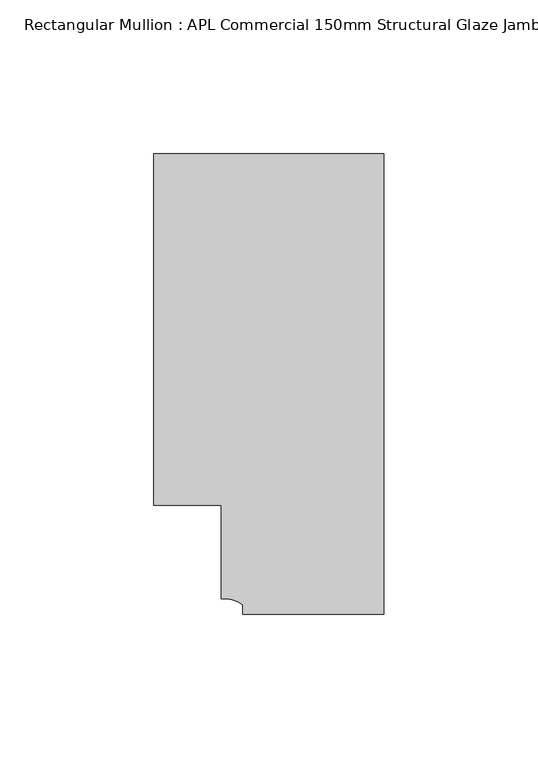
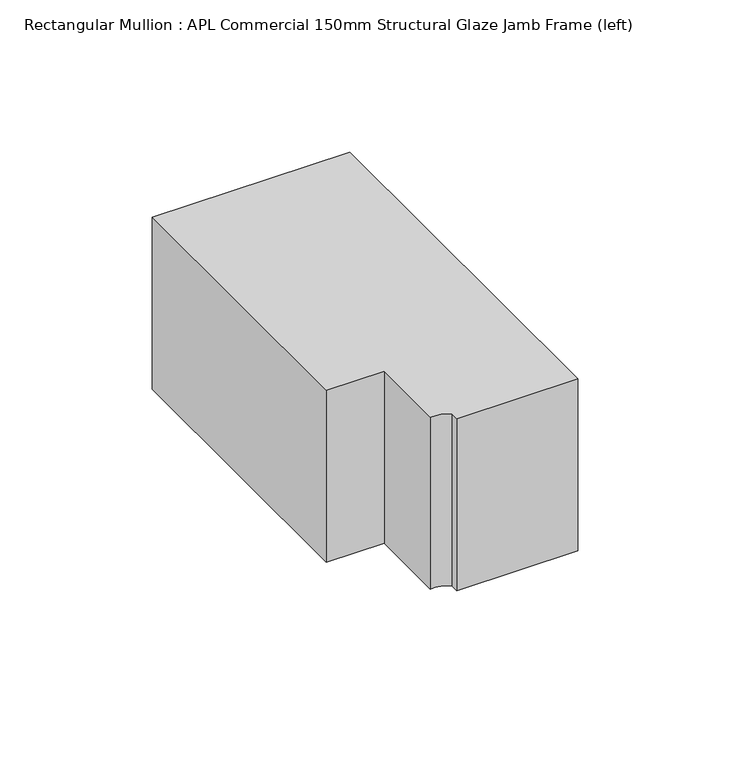
"""IFC4 building model written with IfcOpenShell, lengths in millimetres: member geometry, Rectangular Mullion : APL Commercial 150mm Structural Glaze Jamb Frame (left)."""

from ifc_helpers import new_model, si_unit, point, frame, frame_2d, origin, place, context, project, spatial, polyline, circle_curve, trimmed, segment, composite_curve, outline, extrude, source, transform, mapped, element, save


def rectangular_mullion_apl_commercial_150mm_structural_glaze_67f145ed(model_context):
    return source(origin(), model_context, "Body", "SweptSolid", [
        extrude(outline(composite_curve([segment(polyline([(0.0, -20.5), (-45.9999842, -20.5), (-45.9999842, -17.3125325)]), True, "CONTINUOUS"), segment(trimmed(circle_curve(frame_2d((-52.1098019, -25.7981812)), 10.4563907), [point((-45.9999842, -17.3125325))], [point((-52.9999391, -15.3797475))], True, "CARTESIAN"), True, "CONTINUOUS"), segment(polyline([(-52.9999391, -15.3797475), (-52.9999391, 15.0000829), (-75.0, 15.0000829), (-75.0, 129.4999988), (0.0, 129.4999988), (0.0, -20.5)]), True, "CONTINUOUS")], self_intersect=False)), frame((0.0, 0.0, -68.9740333), z_axis=(0.0, 0.0, 1.0), x_axis=(1.0, 0.0, 0.0)), (0.0, 0.0, 1.0), 68.9740333),
    ])


if __name__ == "__main__":
    model = new_model("IFC4")
    model_context = context("Model", 3, world=origin())
    ifc_project = project(units=[si_unit("LENGTHUNIT", "METRE", prefix="MILLI")], contexts=[model_context])
    site = spatial("IfcSite", under=ifc_project)
    building = spatial("IfcBuilding", under=site)
    placement = place(None, origin())
    rectangular_mullion_apl_commercial_150mm_structural_glaze_shape = rectangular_mullion_apl_commercial_150mm_structural_glaze_67f145ed(model_context)
    element("IfcMember", 1, ObjectType="Rectangular Mullion : APL Commercial 150mm Structural Glaze Jamb Frame (left)", at=placement, inside=building, context=model_context, shape_type="MappedRepresentation", body=[
        mapped(rectangular_mullion_apl_commercial_150mm_structural_glaze_shape, transform((0.0, 0.0, 0.0), x_axis=(1.0, 0.0, 0.0), y_axis=(0.0, 1.0, 0.0), z_axis=(0.0, 0.0, 1.0))),
    ])
    save(model, "model.ifc")
